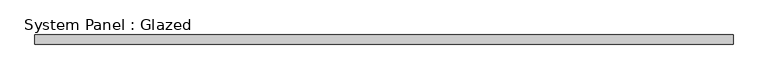
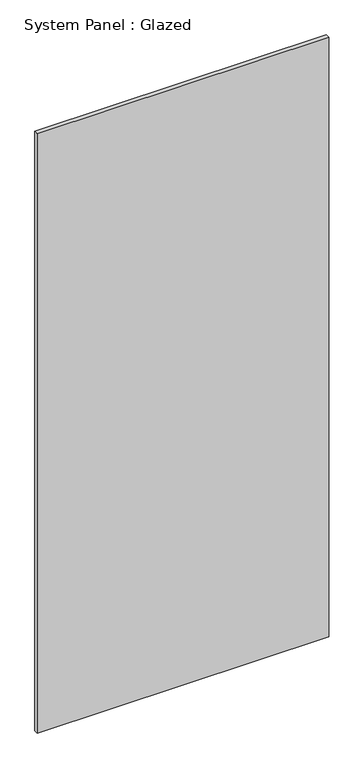
"""IFC4 building model written with IfcOpenShell, lengths in millimetres: plate geometry, System Panel : Glazed."""

from ifc_helpers import new_model, si_unit, origin, origin_with_axes, place, context, project, spatial, polyline, outline, extrude, source, transform, mapped, element, save


def system_panel_glazed_f3a469cd(model_context):
    return source(origin(), model_context, "Body", "SweptSolid", [
        extrude(outline(polyline([(916.818058, -49.5), (-916.818058, -49.5), (-916.818058, -24.5), (916.818058, -24.5), (916.818058, -49.5)])), origin_with_axes(), (0.0, 0.0, 1.0), 3985.0),
    ])


if __name__ == "__main__":
    model = new_model("IFC4")
    model_context = context("Model", 3, world=origin())
    ifc_project = project(units=[si_unit("LENGTHUNIT", "METRE", prefix="MILLI")], contexts=[model_context])
    site = spatial("IfcSite", under=ifc_project)
    building = spatial("IfcBuilding", under=site)
    placement = place(None, origin())
    system_panel_glazed_shape = system_panel_glazed_f3a469cd(model_context)
    element("IfcPlate", 1, ObjectType="System Panel : Glazed", at=placement, inside=building, context=model_context, shape_type="MappedRepresentation", body=[
        mapped(system_panel_glazed_shape, transform((0.0, 0.0, 0.0), x_axis=(1.0, 0.0, 0.0), y_axis=(0.0, 1.0, 0.0), z_axis=(0.0, 0.0, 1.0))),
    ])
    save(model, "model.ifc")
